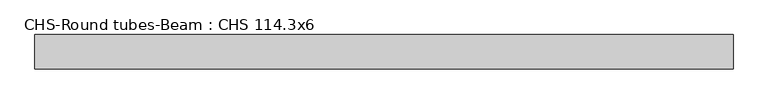
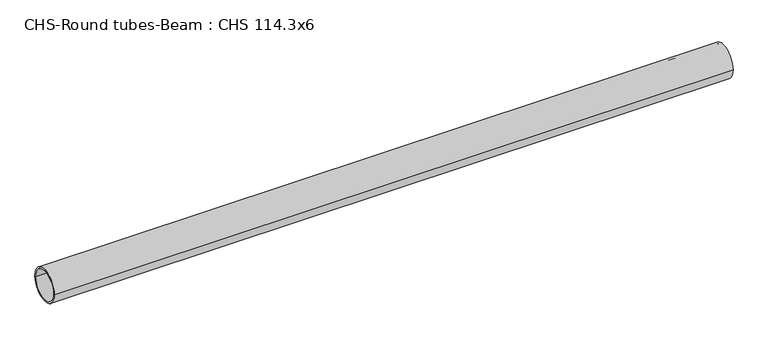
"""IFC4 building model written with IfcOpenShell, lengths in millimetres: beam geometry, CHS-Round tubes-Beam : CHS 114.3x6."""

import ifcopenshell
import ifcopenshell.guid

model = None  # the IFC model being written
_history = None  # IfcOwnerHistory: only IFC2X3 demands one
_inside = {}  # id of a spatial element -> (the spatial element, [elements in it])
_under = {}  # id of a project, library or spatial element -> (it, [spatial elements below it])
_declared = {}  # id of a project -> (the project, [libraries it declares])
_typed = {}  # id of a type object -> (the type object, [elements of that type])
_made_of = {}  # id of a material, layer set ... -> (it, [elements and type objects made of it])


def new_model(schema):
    """Start an empty IFC model of exactly this schema.

    Asked for "IFC4X3", IfcOpenShell would pick the latest addendum, in which some entities
    have other attributes; the version numbers below select the first issue.
    IFC2X3 requires an IfcOwnerHistory on every rooted entity: one is made here for all.
    """
    global model, _history
    if schema == "IFC4X3":
        model = ifcopenshell.file(schema_version=(4, 3, 0, 0))
    else:
        model = ifcopenshell.file(schema=schema)
    _inside.clear()
    _under.clear()
    _declared.clear()
    _typed.clear()
    _made_of.clear()
    _history = None
    if model.schema == "IFC2X3":
        org = make("IfcOrganization", Name="unknown")
        user = make(
            "IfcPersonAndOrganization",
            ThePerson=make("IfcPerson", FamilyName="unknown"),
            TheOrganization=org,
        )
        app = make(
            "IfcApplication",
            ApplicationDeveloper=org,
            Version="unknown",
            ApplicationFullName="unknown",
            ApplicationIdentifier="unknown",
        )
        _history = make(
            "IfcOwnerHistory",
            OwningUser=user,
            OwningApplication=app,
            ChangeAction="ADDED",
            CreationDate=0,
        )
    return model


def make(cls, **values):
    """One entity of the class cls with the attributes given. An attribute that is None is left unset."""
    return model.create_entity(
        cls, **{name: value for name, value in values.items() if value is not None}
    )


def rooted(cls, **values):
    """An entity with a GlobalId (a new one), such as an element, a storey or a relation."""
    return make(cls, GlobalId=ifcopenshell.guid.new(), OwnerHistory=_history, **values)


def si_unit(unit_type, name, prefix=None):
    """IfcSIUnit, for example si_unit("LENGTHUNIT", "METRE", prefix="MILLI")."""
    return make("IfcSIUnit", UnitType=unit_type, Prefix=prefix, Name=name)


def assignment(units):
    """IfcUnitAssignment: the units of a project."""
    return None if units is None else make("IfcUnitAssignment", Units=units)


def point(xyz):
    """IfcCartesianPoint."""
    return None if xyz is None else make("IfcCartesianPoint", Coordinates=xyz)


def direction(xyz):
    """IfcDirection."""
    return None if xyz is None else make("IfcDirection", DirectionRatios=xyz)


def frame(location, z_axis=None, x_axis=None):
    """IfcAxis2Placement3D, a coordinate frame: its origin and axes. An axis left out is left unset."""
    return make(
        "IfcAxis2Placement3D",
        Location=point(location),
        Axis=direction(z_axis),
        RefDirection=direction(x_axis),
    )


def frame_2d(location, x_axis=None):
    """IfcAxis2Placement2D, a coordinate frame in the plane: its origin and x axis."""
    return make(
        "IfcAxis2Placement2D", Location=point(location), RefDirection=direction(x_axis)
    )


def origin():
    """The frame at (0, 0, 0) with its axes left unset."""
    return frame((0.0, 0.0, 0.0))


def origin_2d():
    """The frame at (0, 0) in the plane with its x axis left unset."""
    return frame_2d((0.0, 0.0))


def place(relative_to, where):
    """IfcLocalPlacement: puts the frame where relative to a parent placement (None: the world)."""
    return make(
        "IfcLocalPlacement", PlacementRelTo=relative_to, RelativePlacement=where
    )


def context(
    kind, dimensions, precision=None, world=None, true_north=None, identifier=None
):
    """IfcGeometricRepresentationContext, for example the 3D "Model" context."""
    return make(
        "IfcGeometricRepresentationContext",
        ContextIdentifier=identifier,
        ContextType=kind,
        CoordinateSpaceDimension=dimensions,
        Precision=precision,
        WorldCoordinateSystem=world,
        TrueNorth=true_north,
    )


def project(units=None, contexts=None):
    """IfcProject with its units and contexts."""
    return rooted(
        "IfcProject",
        Name="project",
        RepresentationContexts=contexts,
        UnitsInContext=assignment(units),
    )


def spatial(cls, under=None, at=None, **own):
    """A site, building, storey or space (cls), placed at a placement, below another one or the project."""
    s = rooted(cls, ObjectPlacement=at, **own)
    if under is not None:
        _under.setdefault(under.id(), (under, []))[1].append(s)
    return s


def circle_curve(where, radius):
    """IfcCircle in the frame where."""
    return make("IfcCircle", Position=where, Radius=radius)


def trimmed(basis, trim1, trim2, sense, master):
    """IfcTrimmedCurve: the piece of a basis curve between two trims."""
    return make(
        "IfcTrimmedCurve",
        BasisCurve=basis,
        Trim1=trim1,
        Trim2=trim2,
        SenseAgreement=sense,
        MasterRepresentation=master,
    )


def segment(curve, same_sense, transition):
    """IfcCompositeCurveSegment."""
    return make(
        "IfcCompositeCurveSegment",
        Transition=transition,
        SameSense=same_sense,
        ParentCurve=curve,
    )


def composite_curve(segments, self_intersect=None):
    """IfcCompositeCurve: segments joined end to end."""
    return make("IfcCompositeCurve", Segments=segments, SelfIntersect=self_intersect)


def outline(outer, holes=None, kind="AREA"):
    """IfcArbitraryClosedProfileDef: a profile drawn as a closed curve; with holes, ...WithVoids."""
    if holes is None:
        return make("IfcArbitraryClosedProfileDef", ProfileType=kind, OuterCurve=outer)
    return make(
        "IfcArbitraryProfileDefWithVoids",
        ProfileType=kind,
        OuterCurve=outer,
        InnerCurves=holes,
    )


def extrude(swept, where, along, depth):
    """IfcExtrudedAreaSolid: the profile swept, set in the frame where, extruded along a direction by depth."""
    return make(
        "IfcExtrudedAreaSolid",
        SweptArea=swept,
        Position=where,
        ExtrudedDirection=direction(along),
        Depth=depth,
    )


def shape(context_of_items, identifier, shape_type, items):
    """IfcShapeRepresentation: the items that make up one representation, for example the "Body"."""
    return make(
        "IfcShapeRepresentation",
        ContextOfItems=context_of_items,
        RepresentationIdentifier=identifier,
        RepresentationType=shape_type,
        Items=items,
    )


def source(mapping_origin, context_of_items, identifier, shape_type, items):
    """IfcRepresentationMap: a shape defined once, which mapped items show again and again."""
    return make(
        "IfcRepresentationMap",
        MappingOrigin=mapping_origin,
        MappedRepresentation=shape(context_of_items, identifier, shape_type, items),
    )


def transform(
    local_origin,
    x_axis=None,
    y_axis=None,
    z_axis=None,
    scale=None,
    scale2=None,
    scale3=None,
    uniform=True,
):
    """IfcCartesianTransformationOperator3D, or its non-uniform kind. x_axis, y_axis, z_axis: its Axis1, 2, 3."""
    if uniform:
        return make(
            "IfcCartesianTransformationOperator3D",
            Axis1=direction(x_axis),
            Axis2=direction(y_axis),
            LocalOrigin=point(local_origin),
            Scale=scale,
            Axis3=direction(z_axis),
        )
    return make(
        "IfcCartesianTransformationOperator3DnonUniform",
        Axis1=direction(x_axis),
        Axis2=direction(y_axis),
        LocalOrigin=point(local_origin),
        Scale=scale,
        Axis3=direction(z_axis),
        Scale2=scale2,
        Scale3=scale3,
    )


def mapped(mapping_source, mapping_target):
    """IfcMappedItem: shows the shape of a source again, moved by a transform."""
    return make(
        "IfcMappedItem", MappingSource=mapping_source, MappingTarget=mapping_target
    )


def made_of(thing, what):
    """Note that an element or type object is made of a material, layer set ...; save() writes the relation."""
    if what is not None:
        _made_of.setdefault(what.id(), (what, []))[1].append(thing)
    return thing


def element(
    cls,
    number,
    at=None,
    inside=None,
    cuts=None,
    type_object=None,
    material=None,
    context=None,
    identifier="Body",
    shape_type=None,
    held_by="IfcProductDefinitionShape",
    body=None,
    shapes=None,
    **own,
):
    """One element of the class cls, such as IfcWall. Its Tag is "e" and its number.

    at: its placement. inside: the storey or other place that contains it. cuts: it is an
    opening in that element (IfcRelVoidsElement). A single representation is given by context,
    identifier, shape_type and body (its items); several are given by shapes. held_by: the class
    of the entity that holds the representations. save() writes the other relations.
    """
    e = rooted(cls, Tag="e%d" % number, ObjectPlacement=at, **own)
    if body is not None:
        shapes = [shape(context, identifier, shape_type, body)]
    if shapes is not None:
        e.Representation = make(held_by, Representations=shapes)
    if inside is not None:
        _inside.setdefault(inside.id(), (inside, []))[1].append(e)
    if cuts is not None:
        rooted(
            "IfcRelVoidsElement", RelatingBuildingElement=cuts, RelatedOpeningElement=e
        )
    if type_object is not None:
        _typed.setdefault(type_object.id(), (type_object, []))[1].append(e)
    return made_of(e, material)


def aggregate(whole, parts):
    """IfcRelAggregates: a whole, such as a stair, and the parts it consists of."""
    return rooted("IfcRelAggregates", RelatingObject=whole, RelatedObjects=parts)


def save(model, path):
    """Write the relations noted so far, then the file.

    IfcRelAggregates (storeys below a building ...), IfcRelContainedInSpatialStructure (elements
    in a storey), IfcRelDefinesByType, IfcRelAssociatesMaterial and IfcRelDeclares: one each for
    every whole, place, type object, material and project.
    """
    for whole, parts in _under.values():
        aggregate(whole, parts)
    for where, things in _inside.values():
        rooted(
            "IfcRelContainedInSpatialStructure",
            RelatedElements=things,
            RelatingStructure=where,
        )
    for kind, things in _typed.values():
        rooted("IfcRelDefinesByType", RelatedObjects=things, RelatingType=kind)
    for what, things in _made_of.values():
        rooted("IfcRelAssociatesMaterial", RelatedObjects=things, RelatingMaterial=what)
    for by, libraries in _declared.values():
        rooted("IfcRelDeclares", RelatingContext=by, RelatedDefinitions=libraries)
    model.write(path)


def chs_round_tubes_beam_chs_114_3x6_88acc7b3(model_context):
    return source(origin(), model_context, "Body", "SweptSolid", [
        extrude(outline(composite_curve([segment(trimmed(circle_curve(origin_2d(), 57.15), [point((57.15, 0.0))], [point((-57.15, 0.0))], False, "CARTESIAN"), True, "CONTINUOUS"), segment(trimmed(circle_curve(origin_2d(), 57.15), [point((-57.15, 0.0))], [point((57.15, 0.0))], False, "CARTESIAN"), True, "CONTINUOUS")], self_intersect=False), holes=[composite_curve([segment(trimmed(circle_curve(origin_2d(), 51.15), [point((51.15, 0.0))], [point((-51.15, 0.0))], True, "CARTESIAN"), True, "CONTINUOUS"), segment(trimmed(circle_curve(origin_2d(), 51.15), [point((-51.15, 0.0))], [point((51.15, 0.0))], True, "CARTESIAN"), True, "CONTINUOUS")], self_intersect=False)]), frame((-1030.550711, 0.0, 0.0), z_axis=(1.0, 0.0, 0.0), x_axis=(0.0, 1.0, 0.0)), (0.0, 0.0, 1.0), 2314.1752212),
    ])


if __name__ == "__main__":
    model = new_model("IFC4")
    model_context = context("Model", 3, world=origin())
    ifc_project = project(units=[si_unit("LENGTHUNIT", "METRE", prefix="MILLI")], contexts=[model_context])
    site = spatial("IfcSite", under=ifc_project)
    building = spatial("IfcBuilding", under=site)
    placement = place(None, origin())
    chs_round_tubes_beam_chs_114_3x6_shape = chs_round_tubes_beam_chs_114_3x6_88acc7b3(model_context)
    element("IfcBeam", 1, ObjectType="CHS-Round tubes-Beam : CHS 114.3x6", at=placement, inside=building, context=model_context, shape_type="MappedRepresentation", body=[
        mapped(chs_round_tubes_beam_chs_114_3x6_shape, transform((0.0, 0.0, 0.0), x_axis=(1.0, 0.0, 0.0), y_axis=(0.0, 1.0, 0.0), z_axis=(0.0, 0.0, 1.0))),
    ])
    save(model, "model.ifc")
